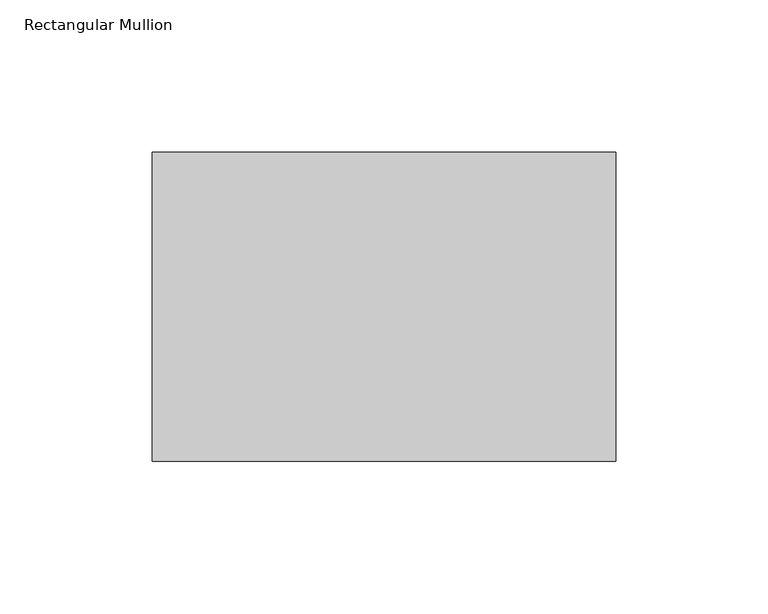
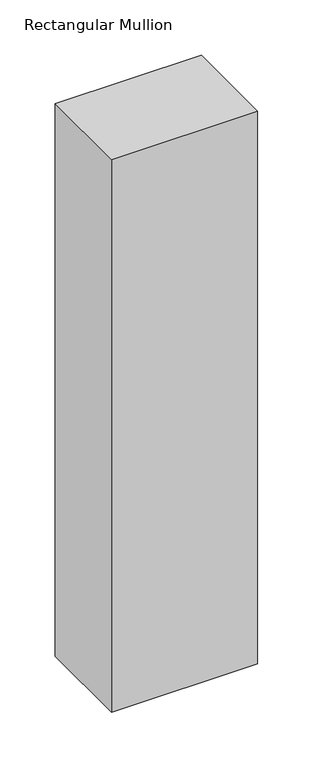
"""IFC4 building model written with IfcOpenShell, lengths in millimetres: member geometry, Rectangular Mullion."""

import ifcopenshell
import ifcopenshell.guid

model = None  # the IFC model being written
_history = None  # IfcOwnerHistory: only IFC2X3 demands one
_inside = {}  # id of a spatial element -> (the spatial element, [elements in it])
_under = {}  # id of a project, library or spatial element -> (it, [spatial elements below it])
_declared = {}  # id of a project -> (the project, [libraries it declares])
_typed = {}  # id of a type object -> (the type object, [elements of that type])
_made_of = {}  # id of a material, layer set ... -> (it, [elements and type objects made of it])


def new_model(schema):
    """Start an empty IFC model of exactly this schema.

    Asked for "IFC4X3", IfcOpenShell would pick the latest addendum, in which some entities
    have other attributes; the version numbers below select the first issue.
    IFC2X3 requires an IfcOwnerHistory on every rooted entity: one is made here for all.
    """
    global model, _history
    if schema == "IFC4X3":
        model = ifcopenshell.file(schema_version=(4, 3, 0, 0))
    else:
        model = ifcopenshell.file(schema=schema)
    _inside.clear()
    _under.clear()
    _declared.clear()
    _typed.clear()
    _made_of.clear()
    _history = None
    if model.schema == "IFC2X3":
        org = make("IfcOrganization", Name="unknown")
        user = make(
            "IfcPersonAndOrganization",
            ThePerson=make("IfcPerson", FamilyName="unknown"),
            TheOrganization=org,
        )
        app = make(
            "IfcApplication",
            ApplicationDeveloper=org,
            Version="unknown",
            ApplicationFullName="unknown",
            ApplicationIdentifier="unknown",
        )
        _history = make(
            "IfcOwnerHistory",
            OwningUser=user,
            OwningApplication=app,
            ChangeAction="ADDED",
            CreationDate=0,
        )
    return model


def make(cls, **values):
    """One entity of the class cls with the attributes given. An attribute that is None is left unset."""
    return model.create_entity(
        cls, **{name: value for name, value in values.items() if value is not None}
    )


def rooted(cls, **values):
    """An entity with a GlobalId (a new one), such as an element, a storey or a relation."""
    return make(cls, GlobalId=ifcopenshell.guid.new(), OwnerHistory=_history, **values)


def si_unit(unit_type, name, prefix=None):
    """IfcSIUnit, for example si_unit("LENGTHUNIT", "METRE", prefix="MILLI")."""
    return make("IfcSIUnit", UnitType=unit_type, Prefix=prefix, Name=name)


def assignment(units):
    """IfcUnitAssignment: the units of a project."""
    return None if units is None else make("IfcUnitAssignment", Units=units)


def point(xyz):
    """IfcCartesianPoint."""
    return None if xyz is None else make("IfcCartesianPoint", Coordinates=xyz)


def direction(xyz):
    """IfcDirection."""
    return None if xyz is None else make("IfcDirection", DirectionRatios=xyz)


def frame(location, z_axis=None, x_axis=None):
    """IfcAxis2Placement3D, a coordinate frame: its origin and axes. An axis left out is left unset."""
    return make(
        "IfcAxis2Placement3D",
        Location=point(location),
        Axis=direction(z_axis),
        RefDirection=direction(x_axis),
    )


def origin():
    """The frame at (0, 0, 0) with its axes left unset."""
    return frame((0.0, 0.0, 0.0))


def place(relative_to, where):
    """IfcLocalPlacement: puts the frame where relative to a parent placement (None: the world)."""
    return make(
        "IfcLocalPlacement", PlacementRelTo=relative_to, RelativePlacement=where
    )


def context(
    kind, dimensions, precision=None, world=None, true_north=None, identifier=None
):
    """IfcGeometricRepresentationContext, for example the 3D "Model" context."""
    return make(
        "IfcGeometricRepresentationContext",
        ContextIdentifier=identifier,
        ContextType=kind,
        CoordinateSpaceDimension=dimensions,
        Precision=precision,
        WorldCoordinateSystem=world,
        TrueNorth=true_north,
    )


def project(units=None, contexts=None):
    """IfcProject with its units and contexts."""
    return rooted(
        "IfcProject",
        Name="project",
        RepresentationContexts=contexts,
        UnitsInContext=assignment(units),
    )


def spatial(cls, under=None, at=None, **own):
    """A site, building, storey or space (cls), placed at a placement, below another one or the project."""
    s = rooted(cls, ObjectPlacement=at, **own)
    if under is not None:
        _under.setdefault(under.id(), (under, []))[1].append(s)
    return s


def polyline(points):
    """IfcPolyline through the points."""
    return make("IfcPolyline", Points=[point(p) for p in points])


def outline(outer, holes=None, kind="AREA"):
    """IfcArbitraryClosedProfileDef: a profile drawn as a closed curve; with holes, ...WithVoids."""
    if holes is None:
        return make("IfcArbitraryClosedProfileDef", ProfileType=kind, OuterCurve=outer)
    return make(
        "IfcArbitraryProfileDefWithVoids",
        ProfileType=kind,
        OuterCurve=outer,
        InnerCurves=holes,
    )


def extrude(swept, where, along, depth):
    """IfcExtrudedAreaSolid: the profile swept, set in the frame where, extruded along a direction by depth."""
    return make(
        "IfcExtrudedAreaSolid",
        SweptArea=swept,
        Position=where,
        ExtrudedDirection=direction(along),
        Depth=depth,
    )


def shape(context_of_items, identifier, shape_type, items):
    """IfcShapeRepresentation: the items that make up one representation, for example the "Body"."""
    return make(
        "IfcShapeRepresentation",
        ContextOfItems=context_of_items,
        RepresentationIdentifier=identifier,
        RepresentationType=shape_type,
        Items=items,
    )


def source(mapping_origin, context_of_items, identifier, shape_type, items):
    """IfcRepresentationMap: a shape defined once, which mapped items show again and again."""
    return make(
        "IfcRepresentationMap",
        MappingOrigin=mapping_origin,
        MappedRepresentation=shape(context_of_items, identifier, shape_type, items),
    )


def transform(
    local_origin,
    x_axis=None,
    y_axis=None,
    z_axis=None,
    scale=None,
    scale2=None,
    scale3=None,
    uniform=True,
):
    """IfcCartesianTransformationOperator3D, or its non-uniform kind. x_axis, y_axis, z_axis: its Axis1, 2, 3."""
    if uniform:
        return make(
            "IfcCartesianTransformationOperator3D",
            Axis1=direction(x_axis),
            Axis2=direction(y_axis),
            LocalOrigin=point(local_origin),
            Scale=scale,
            Axis3=direction(z_axis),
        )
    return make(
        "IfcCartesianTransformationOperator3DnonUniform",
        Axis1=direction(x_axis),
        Axis2=direction(y_axis),
        LocalOrigin=point(local_origin),
        Scale=scale,
        Axis3=direction(z_axis),
        Scale2=scale2,
        Scale3=scale3,
    )


def mapped(mapping_source, mapping_target):
    """IfcMappedItem: shows the shape of a source again, moved by a transform."""
    return make(
        "IfcMappedItem", MappingSource=mapping_source, MappingTarget=mapping_target
    )


def made_of(thing, what):
    """Note that an element or type object is made of a material, layer set ...; save() writes the relation."""
    if what is not None:
        _made_of.setdefault(what.id(), (what, []))[1].append(thing)
    return thing


def element(
    cls,
    number,
    at=None,
    inside=None,
    cuts=None,
    type_object=None,
    material=None,
    context=None,
    identifier="Body",
    shape_type=None,
    held_by="IfcProductDefinitionShape",
    body=None,
    shapes=None,
    **own,
):
    """One element of the class cls, such as IfcWall. Its Tag is "e" and its number.

    at: its placement. inside: the storey or other place that contains it. cuts: it is an
    opening in that element (IfcRelVoidsElement). A single representation is given by context,
    identifier, shape_type and body (its items); several are given by shapes. held_by: the class
    of the entity that holds the representations. save() writes the other relations.
    """
    e = rooted(cls, Tag="e%d" % number, ObjectPlacement=at, **own)
    if body is not None:
        shapes = [shape(context, identifier, shape_type, body)]
    if shapes is not None:
        e.Representation = make(held_by, Representations=shapes)
    if inside is not None:
        _inside.setdefault(inside.id(), (inside, []))[1].append(e)
    if cuts is not None:
        rooted(
            "IfcRelVoidsElement", RelatingBuildingElement=cuts, RelatedOpeningElement=e
        )
    if type_object is not None:
        _typed.setdefault(type_object.id(), (type_object, []))[1].append(e)
    return made_of(e, material)


def aggregate(whole, parts):
    """IfcRelAggregates: a whole, such as a stair, and the parts it consists of."""
    return rooted("IfcRelAggregates", RelatingObject=whole, RelatedObjects=parts)


def save(model, path):
    """Write the relations noted so far, then the file.

    IfcRelAggregates (storeys below a building ...), IfcRelContainedInSpatialStructure (elements
    in a storey), IfcRelDefinesByType, IfcRelAssociatesMaterial and IfcRelDeclares: one each for
    every whole, place, type object, material and project.
    """
    for whole, parts in _under.values():
        aggregate(whole, parts)
    for where, things in _inside.values():
        rooted(
            "IfcRelContainedInSpatialStructure",
            RelatedElements=things,
            RelatingStructure=where,
        )
    for kind, things in _typed.values():
        rooted("IfcRelDefinesByType", RelatedObjects=things, RelatingType=kind)
    for what, things in _made_of.values():
        rooted("IfcRelAssociatesMaterial", RelatedObjects=things, RelatingMaterial=what)
    for by, libraries in _declared.values():
        rooted("IfcRelDeclares", RelatingContext=by, RelatedDefinitions=libraries)
    model.write(path)


def rectangular_mullion_88e17627(model_context):
    return source(origin(), model_context, "Body", "SweptSolid", [
        extrude(outline(polyline([(0.0, 19.05), (0.0, -82.55), (-152.4, -82.55), (-152.4, 19.05), (0.0, 19.05)])), frame((0.0, 0.0, -609.6), z_axis=(0.0, 0.0, 1.0), x_axis=(1.0, 0.0, 0.0)), (0.0, 0.0, 1.0), 609.6),
    ])


if __name__ == "__main__":
    model = new_model("IFC4")
    model_context = context("Model", 3, world=origin())
    ifc_project = project(units=[si_unit("LENGTHUNIT", "METRE", prefix="MILLI")], contexts=[model_context])
    site = spatial("IfcSite", under=ifc_project)
    building = spatial("IfcBuilding", under=site)
    placement = place(None, origin())
    rectangular_mullion_shape = rectangular_mullion_88e17627(model_context)
    element("IfcMember", 1, ObjectType="Rectangular Mullion", at=placement, inside=building, context=model_context, shape_type="MappedRepresentation", body=[
        mapped(rectangular_mullion_shape, transform((0.0, 0.0, 0.0), x_axis=(1.0, 0.0, 0.0), y_axis=(0.0, 1.0, 0.0), z_axis=(0.0, 0.0, 1.0))),
    ])
    save(model, "model.ifc")
